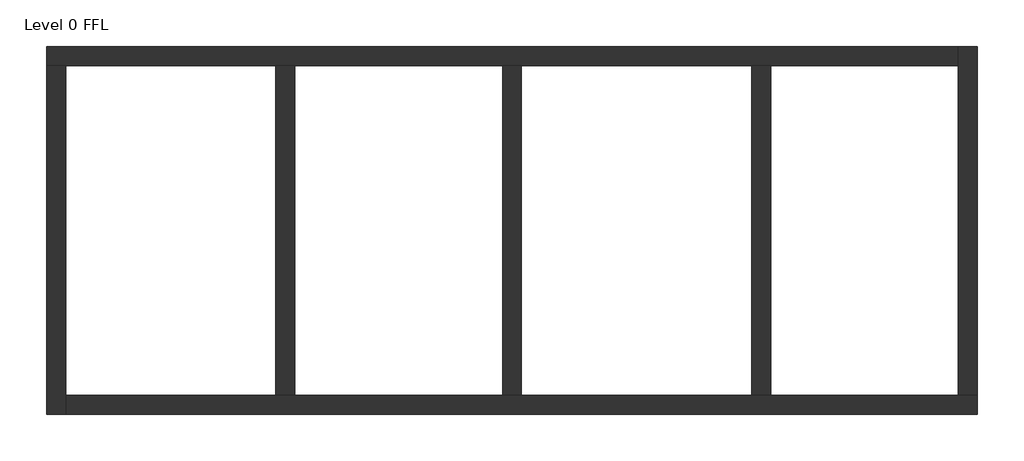
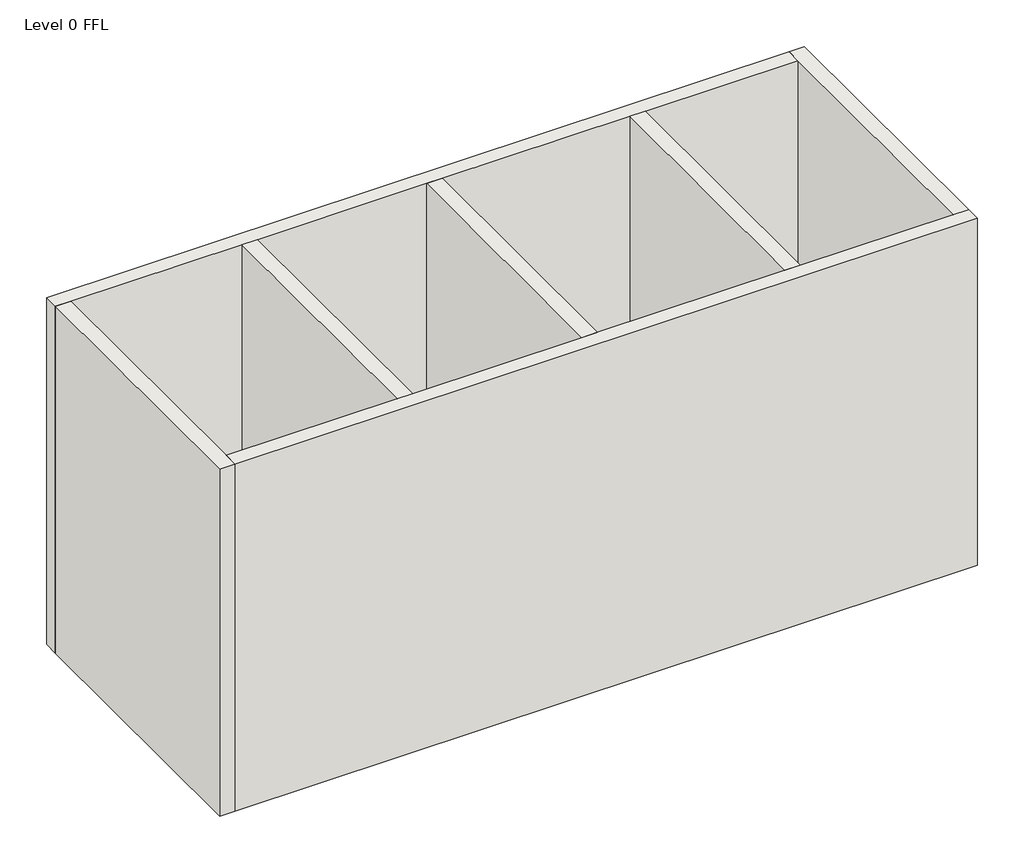
# One storey: 7 walls.
"""IFC4 building model written with IfcOpenShell, lengths in millimetres."""

from ifc_helpers import new_model, si_unit, origin, origin_with_axes, place, context, project, spatial, polyline, outline, extrude, faceted_brep, element, save

model = new_model("IFC4")

# Units and contexts
model_context = context("Model", 3, world=origin())
ifc_project = project(units=[si_unit("LENGTHUNIT", "METRE", prefix="MILLI")], contexts=[model_context])

# Site, building, storey
site = spatial("IfcSite", under=ifc_project)
building = spatial("IfcBuilding", under=site)
storey = spatial("IfcBuildingStorey", under=building, Name="Level 0 FFL", Elevation=0.0)

# Walls
placement = place(None, origin())
element("IfcWall", 1, ObjectType="Wall-Ext_35Rsc-50Air-100Ins-140Blk-12P", at=placement, inside=storey, context=model_context, shape_type="Brep", body=[
    faceted_brep([(-9068.0631714, 402.0322794, 0.0), (-8730.5631714, 402.0322794, 0.0), (-4999.3131714, 402.0322794, 0.0), (-4661.8131714, 402.0322794, 0.0), (-968.0631714, 402.0322794, 0.0), (-630.5631714, 402.0322794, 0.0), (3463.1868286, 402.0322794, 0.0), (3800.6868286, 402.0322794, 0.0), (7131.9368286, 402.0322794, 0.0), (7131.9368286, 402.0322794, 8000.0), (3800.6868286, 402.0322794, 8000.0), (3463.1868286, 402.0322794, 8000.0), (-630.5631714, 402.0322794, 8000.0), (-968.0631714, 402.0322794, 8000.0), (-4661.8131714, 402.0322794, 8000.0), (-4999.3131714, 402.0322794, 8000.0), (-8730.5631714, 402.0322794, 8000.0), (-9068.0631714, 402.0322794, 8000.0), (-9068.0631714, 739.5322794, 0.0), (-9068.0631714, 739.5322794, 8000.0), (7131.9368286, 739.5322794, 8000.0), (7131.9368286, 739.5322794, 0.0)], [[[0, 1, 2, 3, 4, 5, 6, 7, 8, 9, 10, 11, 12, 13, 14, 15, 16, 17]], [[18, 19, 20, 21]], [[8, 7, 6, 5, 4, 3, 2, 1, 0, 18, 21]], [[17, 16, 15, 14, 13, 12, 11, 10, 9, 20, 19]], [[0, 17, 19, 18]], [[9, 8, 21, 20]]]),
])
element("IfcWall", 2, ObjectType="Wall-Ext_35Rsc-50Air-100Ins-140Blk-12P", at=placement, inside=storey, context=model_context, shape_type="Brep", body=[
    faceted_brep([(-8730.5631714, -5797.9677206, 0.0), (-8730.5631714, -5460.4677206, 0.0), (-8730.5631714, 402.0322794, 0.0), (-8730.5631714, 402.0322794, 8000.0), (-8730.5631714, -5460.4677206, 8000.0), (-8730.5631714, -5797.9677206, 8000.0), (-9068.0631714, -5797.9677206, 0.0), (-9068.0631714, -5797.9677206, 8000.0), (-9068.0631714, 402.0322794, 8000.0), (-9068.0631714, 402.0322794, 0.0)], [[[0, 1, 2, 3, 4, 5]], [[6, 7, 8, 9]], [[2, 1, 0, 6, 9]], [[5, 4, 3, 8, 7]], [[0, 5, 7, 6]], [[3, 2, 9, 8]]]),
])
element("IfcWall", 3, ObjectType="Wall-Ext_35Rsc-50Air-100Ins-140Blk-12P", at=placement, inside=storey, context=model_context, shape_type="Brep", body=[
    faceted_brep([(7469.4368286, -5460.4677206, 0.0), (7131.9368286, -5460.4677206, 0.0), (3800.6868286, -5460.4677206, 0.0), (3463.1868286, -5460.4677206, 0.0), (-630.5631714, -5460.4677206, 0.0), (-968.0631714, -5460.4677206, 0.0), (-4661.8131714, -5460.4677206, 0.0), (-4999.3131714, -5460.4677206, 0.0), (-8730.5631714, -5460.4677206, 0.0), (-8730.5631714, -5460.4677206, 8000.0), (-4999.3131714, -5460.4677206, 8000.0), (-4661.8131714, -5460.4677206, 8000.0), (-968.0631714, -5460.4677206, 8000.0), (-630.5631714, -5460.4677206, 8000.0), (3463.1868286, -5460.4677206, 8000.0), (3800.6868286, -5460.4677206, 8000.0), (7131.9368286, -5460.4677206, 8000.0), (7469.4368286, -5460.4677206, 8000.0), (7469.4368286, -5797.9677206, 0.0), (7469.4368286, -5797.9677206, 8000.0), (-8730.5631714, -5797.9677206, 8000.0), (-8730.5631714, -5797.9677206, 0.0)], [[[0, 1, 2, 3, 4, 5, 6, 7, 8, 9, 10, 11, 12, 13, 14, 15, 16, 17]], [[18, 19, 20, 21]], [[8, 7, 6, 5, 4, 3, 2, 1, 0, 18, 21]], [[17, 16, 15, 14, 13, 12, 11, 10, 9, 20, 19]], [[0, 17, 19, 18]], [[9, 8, 21, 20]]]),
])
element("IfcWall", 4, ObjectType="Wall-Ext_35Rsc-50Air-100Ins-140Blk-12P", at=placement, inside=storey, context=model_context, shape_type="Brep", body=[
    faceted_brep([(7131.9368286, 739.5322794, 0.0), (7131.9368286, 402.0322794, 0.0), (7131.9368286, -5460.4677206, 0.0), (7131.9368286, -5460.4677206, 8000.0), (7131.9368286, 402.0322794, 8000.0), (7131.9368286, 739.5322794, 8000.0), (7469.4368286, 739.5322794, 0.0), (7469.4368286, 739.5322794, 8000.0), (7469.4368286, -5460.4677206, 8000.0), (7469.4368286, -5460.4677206, 0.0)], [[[0, 1, 2, 3, 4, 5]], [[6, 7, 8, 9]], [[2, 1, 0, 6, 9]], [[5, 4, 3, 8, 7]], [[0, 5, 7, 6]], [[3, 2, 9, 8]]]),
])
element("IfcWall", 5, ObjectType="Wall-Ext_35Rsc-50Air-100Ins-140Blk-12P", at=placement, inside=storey, context=model_context, shape_type="SweptSolid", body=[
    extrude(outline(polyline([(-4999.3131714, -5460.4677206), (-4999.3131714, 402.0322794), (-4661.8131714, 402.0322794), (-4661.8131714, -5460.4677206), (-4999.3131714, -5460.4677206)])), origin_with_axes(), (0.0, 0.0, 1.0), 8000.0),
])
element("IfcWall", 6, ObjectType="Wall-Ext_35Rsc-50Air-100Ins-140Blk-12P", at=placement, inside=storey, context=model_context, shape_type="SweptSolid", body=[
    extrude(outline(polyline([(-968.0631714, -5460.4677206), (-968.0631714, 402.0322794), (-630.5631714, 402.0322794), (-630.5631714, -5460.4677206), (-968.0631714, -5460.4677206)])), origin_with_axes(), (0.0, 0.0, 1.0), 8000.0),
])
element("IfcWall", 7, ObjectType="Wall-Ext_35Rsc-50Air-100Ins-140Blk-12P", at=placement, inside=storey, context=model_context, shape_type="SweptSolid", body=[
    extrude(outline(polyline([(3463.1868286, -5460.4677206), (3463.1868286, 402.0322794), (3800.6868286, 402.0322794), (3800.6868286, -5460.4677206), (3463.1868286, -5460.4677206)])), origin_with_axes(), (0.0, 0.0, 1.0), 8000.0),
])

save(model, "model.ifc")
